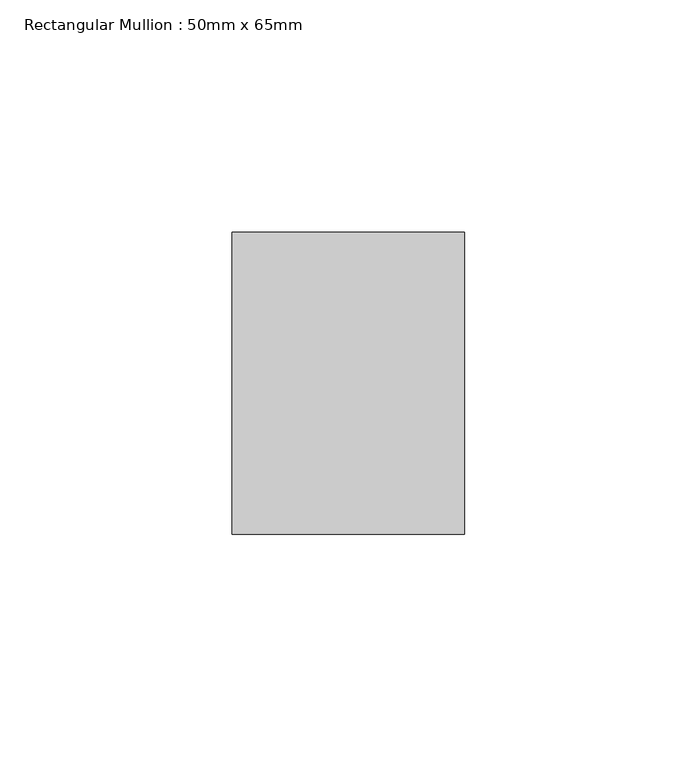
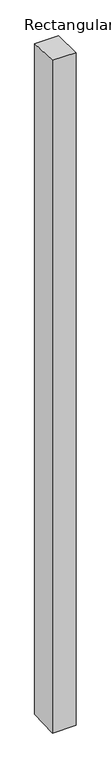
"""IFC4 building model written with IfcOpenShell, lengths in millimetres: member geometry, Rectangular Mullion : 50mm x 65mm."""

from ifc_helpers import new_model, si_unit, origin, place, context, project, spatial, faceted_brep, source, transform, mapped, element, save


def rectangular_mullion_50mm_x_65mm_307ce00c(model_context):
    return source(origin(), model_context, "Body", "Brep", [
        faceted_brep([(-25.0, 32.5, -0.8979675), (25.0, 32.5, -0.8979603), (25.0, 32.5, -1498.8577335), (-25.0, 32.5, -1498.8577243), (-25.0, -32.5, 0.8979603), (-25.0, -32.5, -1501.1416259), (25.0, -32.5, 0.8979675), (25.0, -32.5, -1501.1416351)], [[[0, 1, 2, 3]], [[4, 0, 3, 5]], [[6, 4, 5, 7]], [[1, 6, 7, 2]], [[1, 0, 4, 6]], [[2, 7, 5, 3]]]),
    ])


if __name__ == "__main__":
    model = new_model("IFC4")
    model_context = context("Model", 3, world=origin())
    ifc_project = project(units=[si_unit("LENGTHUNIT", "METRE", prefix="MILLI")], contexts=[model_context])
    site = spatial("IfcSite", under=ifc_project)
    building = spatial("IfcBuilding", under=site)
    placement = place(None, origin())
    rectangular_mullion_50mm_x_65mm_shape = rectangular_mullion_50mm_x_65mm_307ce00c(model_context)
    element("IfcMember", 1, ObjectType="Rectangular Mullion : 50mm x 65mm", at=placement, inside=building, context=model_context, shape_type="MappedRepresentation", body=[
        mapped(rectangular_mullion_50mm_x_65mm_shape, transform((0.0, 0.0, 0.0), x_axis=(1.0, 0.0, 0.0), y_axis=(0.0, 1.0, 0.0), z_axis=(0.0, 0.0, 1.0))),
    ])
    save(model, "model.ifc")
